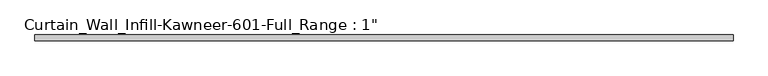
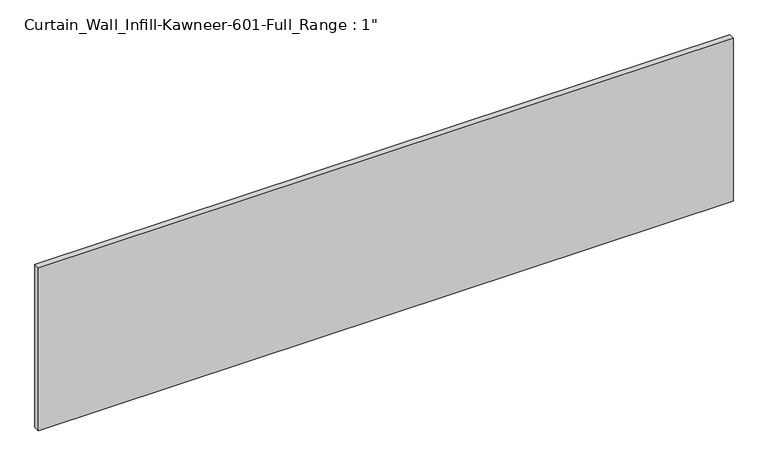
"""IFC4 building model written with IfcOpenShell, lengths in millimetres: plate geometry."""

from ifc_helpers import new_model, si_unit, frame, origin, place, context, project, spatial, polyline, outline, extrude, source, transform, mapped, element, save


def plate_74e5dc55(model_context):
    return source(origin(), model_context, "Body", "SweptSolid", [
        extrude(outline(polyline([(-1473.2, 0.0), (-1473.2, 25.4), (1473.2, 25.4), (1473.2, 0.0), (-1473.2, 0.0)])), frame((0.0, 0.0, -9.525), z_axis=(0.0, 0.0, 1.0), x_axis=(1.0, 0.0, 0.0)), (0.0, 0.0, 1.0), 730.25),
    ])


if __name__ == "__main__":
    model = new_model("IFC4")
    model_context = context("Model", 3, world=origin())
    ifc_project = project(units=[si_unit("LENGTHUNIT", "METRE", prefix="MILLI")], contexts=[model_context])
    site = spatial("IfcSite", under=ifc_project)
    building = spatial("IfcBuilding", under=site)
    placement = place(None, origin())
    plate_shape = plate_74e5dc55(model_context)
    element("IfcPlate", 1, ObjectType="Curtain_Wall_Infill-Kawneer-601-Full_Range : 1\"", at=placement, inside=building, context=model_context, shape_type="MappedRepresentation", body=[
        mapped(plate_shape, transform((0.0, 0.0, 0.0), x_axis=(1.0, 0.0, 0.0), y_axis=(0.0, 1.0, 0.0), z_axis=(0.0, 0.0, 1.0))),
    ])
    save(model, "model.ifc")
